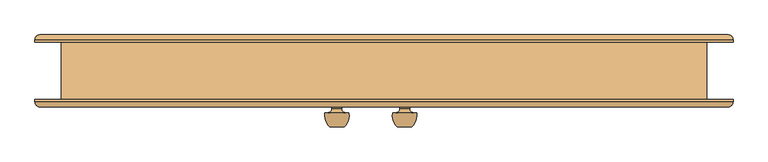
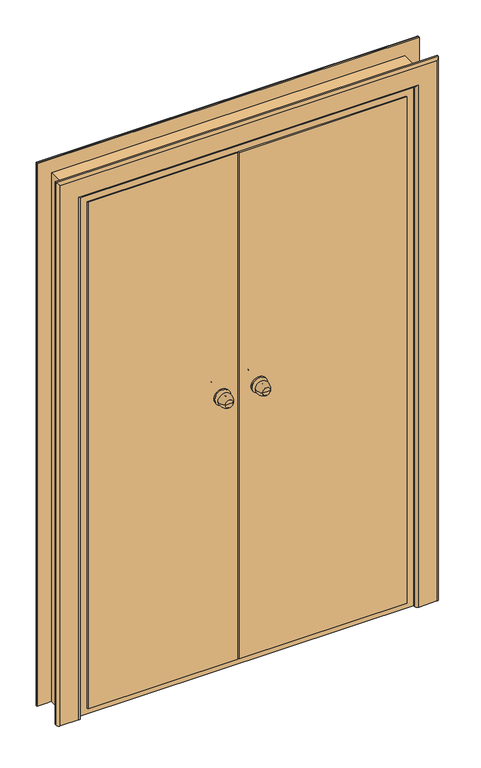
"""IFC4 building model written with IfcOpenShell, lengths in millimetres: door geometry."""

from ifc_helpers import new_model, si_unit, point, frame, origin, place, context, project, spatial, circle_curve, ellipse_curve, trimmed, faceted_brep, source, transform, mapped, element, save
from ifc_brep_helpers import plane_surface, cylinder_surface, revolved_surface, advanced_brep


def door_7bbf4f0c(model_context):
    return source(origin(), model_context, "Body", "SolidModel", [
        advanced_brep(
        [(58.0, -117.0, 1100.0), (28.0, -117.0, 1100.0), (43.0, -117.0, 1100.0), (68.0, -87.0, 1100.0), (18.0, -87.0, 1100.0), (61.0, -87.0, 1100.0), (25.0, -87.0, 1100.0), (53.0, -79.0, 1100.0), (33.0, -79.0, 1100.0), (53.0, -73.0, 1100.0), (33.0, -73.0, 1100.0), (13.0, -73.0, 1100.0), (73.0, -73.0, 1100.0), (13.0, -67.0, 1100.0), (73.0, -67.0, 1100.0)],
        [
            (0, 1, circle_curve(frame((43.0, -117.0, 1100.0), z_axis=(0.0, -1.0, 0.0), x_axis=(-1.0, 0.0, 0.0)), 15.0)),
            (1, 2),
            (2, 0),
            (1, 0, circle_curve(frame((43.0, -117.0, 1100.0), z_axis=(0.0, -1.0, 0.0), x_axis=(-1.0, 0.0, 0.0)), 15.0)),
            (0, 3, circle_curve(frame((33.3773735, -92.1257912, 1100.0), z_axis=(0.0, 0.0, 1.0), x_axis=(-1.0, 0.0, 0.0)), 35.0)),
            (3, 4, circle_curve(frame((43.0, -87.0, 1100.0), z_axis=(0.0, -1.0, 0.0), x_axis=(-1.0, 0.0, 0.0)), 25.0)),
            (4, 1, circle_curve(frame((52.6226265, -92.1257912, 1100.0), z_axis=(0.0, 0.0, 1.0), x_axis=(1.0, 0.0, 0.0)), 35.0)),
            (4, 3, circle_curve(frame((43.0, -87.0, 1100.0), z_axis=(0.0, -1.0, 0.0), x_axis=(-1.0, 0.0, 0.0)), 25.0)),
            (3, 5),
            (5, 6, circle_curve(frame((43.0, -87.0, 1100.0), z_axis=(0.0, -1.0, 0.0), x_axis=(-1.0, 0.0, 0.0)), 18.0)),
            (6, 4),
            (6, 5, circle_curve(frame((43.0, -87.0, 1100.0), z_axis=(0.0, -1.0, 0.0), x_axis=(-1.0, 0.0, 0.0)), 18.0)),
            (5, 7, circle_curve(frame((61.0, -79.0, 1100.0), z_axis=(0.0, 0.0, -1.0), x_axis=(-1.0, 0.0, 0.0)), 8.0)),
            (7, 8, circle_curve(frame((43.0, -79.0, 1100.0), z_axis=(0.0, -1.0, 0.0), x_axis=(-1.0, 0.0, 0.0)), 10.0)),
            (8, 6, circle_curve(frame((25.0, -79.0, 1100.0), z_axis=(0.0, 0.0, -1.0), x_axis=(1.0, 0.0, 0.0)), 8.0)),
            (8, 7, circle_curve(frame((43.0, -79.0, 1100.0), z_axis=(0.0, -1.0, 0.0), x_axis=(-1.0, 0.0, 0.0)), 10.0)),
            (7, 9),
            (9, 10, circle_curve(frame((43.0, -73.0, 1100.0), z_axis=(0.0, -1.0, 0.0), x_axis=(-1.0, 0.0, 0.0)), 10.0)),
            (10, 8),
            (10, 9, circle_curve(frame((43.0, -73.0, 1100.0), z_axis=(0.0, -1.0, 0.0), x_axis=(-1.0, 0.0, 0.0)), 10.0)),
            (11, 12, circle_curve(frame((43.0, -73.0, 1100.0), z_axis=(0.0, -1.0, 0.0), x_axis=(1.0, 0.0, 0.0)), 30.0)),
            (12, 11, circle_curve(frame((43.0, -73.0, 1100.0), z_axis=(0.0, -1.0, 0.0), x_axis=(1.0, 0.0, 0.0)), 30.0)),
            (13, 14, circle_curve(frame((43.0, -67.0, 1100.0), z_axis=(0.0, 1.0, 0.0), x_axis=(1.0, 0.0, 0.0)), 30.0)),
            (14, 13, circle_curve(frame((43.0, -67.0, 1100.0), z_axis=(0.0, 1.0, 0.0), x_axis=(1.0, 0.0, 0.0)), 30.0)),
            (11, 13),
            (14, 12),
        ],
        [
            plane_surface(frame((43.0, -117.0, 1100.0), z_axis=(0.0, -1.0, 0.0), x_axis=(-1.0, 0.0, 0.0))),
            revolved_surface(trimmed(ellipse_curve(frame((52.6226265, -92.1257912, 1100.0), z_axis=(0.0, 0.0, -1.0), x_axis=(1.0, 0.0, 0.0)), 35.0, 35.0), [point((28.0, -117.0, 1100.0))], [point((18.0, -87.0, 1100.0))], True, "CARTESIAN"), (43.0, -147.0, 1100.0), (0.0, 1.0, 0.0)),
            plane_surface(frame((43.0, -87.0, 1100.0), z_axis=(0.0, 1.0, 0.0), x_axis=(-1.0, 0.0, 0.0))),
            revolved_surface(trimmed(ellipse_curve(frame((25.0, -79.0, 1100.0), z_axis=(0.0, 0.0, 1.0), x_axis=(1.0, 0.0, 0.0)), 8.0, 8.0), [point((25.0, -87.0, 1100.0))], [point((33.0, -79.0, 1100.0))], True, "CARTESIAN"), (43.0, -147.0, 1100.0), (0.0, 1.0, 0.0)),
            cylinder_surface(frame((43.0, -147.0, 1100.0), z_axis=(0.0, 1.0, 0.0), x_axis=(-1.0, 0.0, 0.0)), 10.0),
            plane_surface(frame((73.0, -73.0, 1100.0), z_axis=(0.0, -1.0, 0.0), x_axis=(0.0, 0.0, 1.0))),
            plane_surface(frame((73.0, -67.0, 1100.0), z_axis=(0.0, 1.0, 0.0), x_axis=(0.0, 0.0, -1.0))),
            cylinder_surface(frame((43.0, -67.0, 1100.0), z_axis=(0.0, -1.0, 0.0), x_axis=(1.0, 0.0, 0.0)), 30.0),
        ],
        [
            (0, [[1, 2, 3]]),
            (0, [[-2, 4, -3]]),
            (1, [[-1, 5, 6, 7]]),
            (1, [[-4, -7, 8, -5]]),
            (2, [[-6, 9, 10, 11]]),
            (2, [[-8, -11, 12, -9]]),
            (3, [[-10, 13, 14, 15]]),
            (3, [[-12, -15, 16, -13]]),
            (4, [[-14, 17, 18, 19]]),
            (4, [[-16, -19, 20, -17]]),
            (5, [[21, 22], [-18, -20]]),
            (6, [[23, 24]]),
            (7, [[-21, 25, -24, 26]]),
            (7, [[-22, -26, -23, -25]]),
        ],
    ),
        advanced_brep(
        [(28.0, 53.0, 1100.0), (58.0, 53.0, 1100.0), (43.0, 53.0, 1100.0), (18.0, 23.0, 1100.0), (68.0, 23.0, 1100.0), (25.0, 23.0, 1100.0), (61.0, 23.0, 1100.0), (33.0, 15.0, 1100.0), (53.0, 15.0, 1100.0), (33.0, 9.0, 1100.0), (53.0, 9.0, 1100.0), (73.0, 9.0, 1100.0), (13.0, 9.0, 1100.0), (73.0, 3.0, 1100.0), (13.0, 3.0, 1100.0)],
        [
            (0, 1, circle_curve(frame((43.0, 53.0, 1100.0), z_axis=(0.0, 1.0, 0.0), x_axis=(1.0, 0.0, 0.0)), 15.0)),
            (1, 2),
            (2, 0),
            (1, 0, circle_curve(frame((43.0, 53.0, 1100.0), z_axis=(0.0, 1.0, 0.0), x_axis=(1.0, 0.0, 0.0)), 15.0)),
            (0, 3, circle_curve(frame((52.6226265, 28.1257912, 1100.0), z_axis=(0.0, 0.0, 1.0), x_axis=(1.0, 0.0, 0.0)), 35.0)),
            (3, 4, circle_curve(frame((43.0, 23.0, 1100.0), z_axis=(0.0, 1.0, 0.0), x_axis=(1.0, 0.0, 0.0)), 25.0)),
            (4, 1, circle_curve(frame((33.3773735, 28.1257912, 1100.0), z_axis=(0.0, 0.0, 1.0), x_axis=(-1.0, 0.0, 0.0)), 35.0)),
            (4, 3, circle_curve(frame((43.0, 23.0, 1100.0), z_axis=(0.0, 1.0, 0.0), x_axis=(1.0, 0.0, 0.0)), 25.0)),
            (3, 5),
            (5, 6, circle_curve(frame((43.0, 23.0, 1100.0), z_axis=(0.0, 1.0, 0.0), x_axis=(1.0, 0.0, 0.0)), 18.0)),
            (6, 4),
            (6, 5, circle_curve(frame((43.0, 23.0, 1100.0), z_axis=(0.0, 1.0, 0.0), x_axis=(1.0, 0.0, 0.0)), 18.0)),
            (5, 7, circle_curve(frame((25.0, 15.0, 1100.0), z_axis=(0.0, 0.0, -1.0), x_axis=(1.0, 0.0, 0.0)), 8.0)),
            (7, 8, circle_curve(frame((43.0, 15.0, 1100.0), z_axis=(0.0, 1.0, 0.0), x_axis=(1.0, 0.0, 0.0)), 10.0)),
            (8, 6, circle_curve(frame((61.0, 15.0, 1100.0), z_axis=(0.0, 0.0, -1.0), x_axis=(-1.0, 0.0, 0.0)), 8.0)),
            (8, 7, circle_curve(frame((43.0, 15.0, 1100.0), z_axis=(0.0, 1.0, 0.0), x_axis=(1.0, 0.0, 0.0)), 10.0)),
            (7, 9),
            (9, 10, circle_curve(frame((43.0, 9.0, 1100.0), z_axis=(0.0, 1.0, 0.0), x_axis=(1.0, 0.0, 0.0)), 10.0)),
            (10, 8),
            (10, 9, circle_curve(frame((43.0, 9.0, 1100.0), z_axis=(0.0, 1.0, 0.0), x_axis=(1.0, 0.0, 0.0)), 10.0)),
            (11, 12, circle_curve(frame((43.0, 9.0, 1100.0), z_axis=(0.0, 1.0, 0.0), x_axis=(-1.0, 0.0, 0.0)), 30.0)),
            (12, 11, circle_curve(frame((43.0, 9.0, 1100.0), z_axis=(0.0, 1.0, 0.0), x_axis=(-1.0, 0.0, 0.0)), 30.0)),
            (13, 14, circle_curve(frame((43.0, 3.0, 1100.0), z_axis=(0.0, -1.0, 0.0), x_axis=(-1.0, 0.0, 0.0)), 30.0)),
            (14, 13, circle_curve(frame((43.0, 3.0, 1100.0), z_axis=(0.0, -1.0, 0.0), x_axis=(-1.0, 0.0, 0.0)), 30.0)),
            (11, 13),
            (14, 12),
        ],
        [
            plane_surface(frame((43.0, 53.0, 1100.0), z_axis=(0.0, 1.0, 0.0), x_axis=(1.0, 0.0, 0.0))),
            revolved_surface(trimmed(ellipse_curve(frame((33.3773735, 28.1257912, 1100.0), z_axis=(0.0, 0.0, -1.0), x_axis=(-1.0, 0.0, 0.0)), 35.0, 35.0), [point((58.0, 53.0, 1100.0))], [point((68.0, 23.0, 1100.0))], True, "CARTESIAN"), (43.0, 83.0, 1100.0), (0.0, -1.0, 0.0)),
            plane_surface(frame((43.0, 23.0, 1100.0), z_axis=(0.0, -1.0, 0.0), x_axis=(1.0, 0.0, 0.0))),
            revolved_surface(trimmed(ellipse_curve(frame((61.0, 15.0, 1100.0), z_axis=(0.0, 0.0, 1.0), x_axis=(-1.0, 0.0, 0.0)), 8.0, 8.0), [point((61.0, 23.0, 1100.0))], [point((53.0, 15.0, 1100.0))], True, "CARTESIAN"), (43.0, 83.0, 1100.0), (0.0, -1.0, 0.0)),
            cylinder_surface(frame((43.0, 83.0, 1100.0), z_axis=(0.0, -1.0, 0.0), x_axis=(1.0, 0.0, 0.0)), 10.0),
            plane_surface(frame((13.0, 9.0, 1100.0), z_axis=(0.0, 1.0, 0.0), x_axis=(0.0, 0.0, 1.0))),
            plane_surface(frame((13.0, 3.0, 1100.0), z_axis=(0.0, -1.0, 0.0), x_axis=(0.0, 0.0, -1.0))),
            cylinder_surface(frame((43.0, 3.0, 1100.0), z_axis=(0.0, 1.0, 0.0), x_axis=(-1.0, 0.0, 0.0)), 30.0),
        ],
        [
            (0, [[1, 2, 3]]),
            (0, [[-2, 4, -3]]),
            (1, [[-1, 5, 6, 7]]),
            (1, [[-4, -7, 8, -5]]),
            (2, [[-6, 9, 10, 11]]),
            (2, [[-8, -11, 12, -9]]),
            (3, [[-10, 13, 14, 15]]),
            (3, [[-12, -15, 16, -13]]),
            (4, [[-14, 17, 18, 19]]),
            (4, [[-16, -19, 20, -17]]),
            (5, [[21, 22], [-18, -20]]),
            (6, [[23, 24]]),
            (7, [[-21, 25, -24, 26]]),
            (7, [[-22, -26, -23, -25]]),
        ],
    ),
        advanced_brep(
        [(-83.0, -117.0, 1100.0), (-113.0, -117.0, 1100.0), (-98.0, -117.0, 1100.0), (-73.0, -87.0, 1100.0), (-123.0, -87.0, 1100.0), (-80.0, -87.0, 1100.0), (-116.0, -87.0, 1100.0), (-88.0, -79.0, 1100.0), (-108.0, -79.0, 1100.0), (-88.0, -73.0, 1100.0), (-108.0, -73.0, 1100.0), (-128.0, -73.0, 1100.0), (-68.0, -73.0, 1100.0), (-128.0, -67.0, 1100.0), (-68.0, -67.0, 1100.0)],
        [
            (0, 1, circle_curve(frame((-98.0, -117.0, 1100.0), z_axis=(0.0, -1.0, 0.0), x_axis=(-1.0, 0.0, 0.0)), 15.0)),
            (1, 2),
            (2, 0),
            (1, 0, circle_curve(frame((-98.0, -117.0, 1100.0), z_axis=(0.0, -1.0, 0.0), x_axis=(-1.0, 0.0, 0.0)), 15.0)),
            (0, 3, circle_curve(frame((-107.6226265, -92.1257912, 1100.0), z_axis=(0.0, 0.0, 1.0), x_axis=(-1.0, 0.0, 0.0)), 35.0)),
            (3, 4, circle_curve(frame((-98.0, -87.0, 1100.0), z_axis=(0.0, -1.0, 0.0), x_axis=(-1.0, 0.0, 0.0)), 25.0)),
            (4, 1, circle_curve(frame((-88.3773735, -92.1257912, 1100.0), z_axis=(0.0, 0.0, 1.0), x_axis=(1.0, 0.0, 0.0)), 35.0)),
            (4, 3, circle_curve(frame((-98.0, -87.0, 1100.0), z_axis=(0.0, -1.0, 0.0), x_axis=(-1.0, 0.0, 0.0)), 25.0)),
            (3, 5),
            (5, 6, circle_curve(frame((-98.0, -87.0, 1100.0), z_axis=(0.0, -1.0, 0.0), x_axis=(-1.0, 0.0, 0.0)), 18.0)),
            (6, 4),
            (6, 5, circle_curve(frame((-98.0, -87.0, 1100.0), z_axis=(0.0, -1.0, 0.0), x_axis=(-1.0, 0.0, 0.0)), 18.0)),
            (5, 7, circle_curve(frame((-80.0, -79.0, 1100.0), z_axis=(0.0, 0.0, -1.0), x_axis=(-1.0, 0.0, 0.0)), 8.0)),
            (7, 8, circle_curve(frame((-98.0, -79.0, 1100.0), z_axis=(0.0, -1.0, 0.0), x_axis=(-1.0, 0.0, 0.0)), 10.0)),
            (8, 6, circle_curve(frame((-116.0, -79.0, 1100.0), z_axis=(0.0, 0.0, -1.0), x_axis=(1.0, 0.0, 0.0)), 8.0)),
            (8, 7, circle_curve(frame((-98.0, -79.0, 1100.0), z_axis=(0.0, -1.0, 0.0), x_axis=(-1.0, 0.0, 0.0)), 10.0)),
            (7, 9),
            (9, 10, circle_curve(frame((-98.0, -73.0, 1100.0), z_axis=(0.0, -1.0, 0.0), x_axis=(-1.0, 0.0, 0.0)), 10.0)),
            (10, 8),
            (10, 9, circle_curve(frame((-98.0, -73.0, 1100.0), z_axis=(0.0, -1.0, 0.0), x_axis=(-1.0, 0.0, 0.0)), 10.0)),
            (11, 12, circle_curve(frame((-98.0, -73.0, 1100.0), z_axis=(0.0, -1.0, 0.0), x_axis=(1.0, 0.0, 0.0)), 30.0)),
            (12, 11, circle_curve(frame((-98.0, -73.0, 1100.0), z_axis=(0.0, -1.0, 0.0), x_axis=(1.0, 0.0, 0.0)), 30.0)),
            (13, 14, circle_curve(frame((-98.0, -67.0, 1100.0), z_axis=(0.0, 1.0, 0.0), x_axis=(1.0, 0.0, 0.0)), 30.0)),
            (14, 13, circle_curve(frame((-98.0, -67.0, 1100.0), z_axis=(0.0, 1.0, 0.0), x_axis=(1.0, 0.0, 0.0)), 30.0)),
            (11, 13),
            (14, 12),
        ],
        [
            plane_surface(frame((-98.0, -117.0, 1100.0), z_axis=(0.0, -1.0, 0.0), x_axis=(-1.0, 0.0, 0.0))),
            revolved_surface(trimmed(ellipse_curve(frame((-88.3773735, -92.1257912, 1100.0), z_axis=(0.0, 0.0, -1.0), x_axis=(1.0, 0.0, 0.0)), 35.0, 35.0), [point((-113.0, -117.0, 1100.0))], [point((-123.0, -87.0, 1100.0))], True, "CARTESIAN"), (-98.0, -147.0, 1100.0), (0.0, 1.0, 0.0)),
            plane_surface(frame((-98.0, -87.0, 1100.0), z_axis=(0.0, 1.0, 0.0), x_axis=(-1.0, 0.0, 0.0))),
            revolved_surface(trimmed(ellipse_curve(frame((-116.0, -79.0, 1100.0), z_axis=(0.0, 0.0, 1.0), x_axis=(1.0, 0.0, 0.0)), 8.0, 8.0), [point((-116.0, -87.0, 1100.0))], [point((-108.0, -79.0, 1100.0))], True, "CARTESIAN"), (-98.0, -147.0, 1100.0), (0.0, 1.0, 0.0)),
            cylinder_surface(frame((-98.0, -147.0, 1100.0), z_axis=(0.0, 1.0, 0.0), x_axis=(-1.0, 0.0, 0.0)), 10.0),
            plane_surface(frame((-68.0, -73.0, 1100.0), z_axis=(0.0, -1.0, 0.0), x_axis=(0.0, 0.0, 1.0))),
            plane_surface(frame((-68.0, -67.0, 1100.0), z_axis=(0.0, 1.0, 0.0), x_axis=(0.0, 0.0, -1.0))),
            cylinder_surface(frame((-98.0, -67.0, 1100.0), z_axis=(0.0, -1.0, 0.0), x_axis=(1.0, 0.0, 0.0)), 30.0),
        ],
        [
            (0, [[1, 2, 3]]),
            (0, [[-2, 4, -3]]),
            (1, [[-1, 5, 6, 7]]),
            (1, [[-4, -7, 8, -5]]),
            (2, [[-6, 9, 10, 11]]),
            (2, [[-8, -11, 12, -9]]),
            (3, [[-10, 13, 14, 15]]),
            (3, [[-12, -15, 16, -13]]),
            (4, [[-14, 17, 18, 19]]),
            (4, [[-16, -19, 20, -17]]),
            (5, [[21, 22], [-18, -20]]),
            (6, [[23, 24]]),
            (7, [[-21, 25, -24, 26]]),
            (7, [[-22, -26, -23, -25]]),
        ],
    ),
        advanced_brep(
        [(-113.0, 53.0, 1100.0), (-83.0, 53.0, 1100.0), (-98.0, 53.0, 1100.0), (-123.0, 23.0, 1100.0), (-73.0, 23.0, 1100.0), (-116.0, 23.0, 1100.0), (-80.0, 23.0, 1100.0), (-108.0, 15.0, 1100.0), (-88.0, 15.0, 1100.0), (-108.0, 9.0, 1100.0), (-88.0, 9.0, 1100.0), (-68.0, 9.0, 1100.0), (-128.0, 9.0, 1100.0), (-68.0, 3.0, 1100.0), (-128.0, 3.0, 1100.0)],
        [
            (0, 1, circle_curve(frame((-98.0, 53.0, 1100.0), z_axis=(0.0, 1.0, 0.0), x_axis=(1.0, 0.0, 0.0)), 15.0)),
            (1, 2),
            (2, 0),
            (1, 0, circle_curve(frame((-98.0, 53.0, 1100.0), z_axis=(0.0, 1.0, 0.0), x_axis=(1.0, 0.0, 0.0)), 15.0)),
            (0, 3, circle_curve(frame((-88.3773735, 28.1257912, 1100.0), z_axis=(0.0, 0.0, 1.0), x_axis=(1.0, 0.0, 0.0)), 35.0)),
            (3, 4, circle_curve(frame((-98.0, 23.0, 1100.0), z_axis=(0.0, 1.0, 0.0), x_axis=(1.0, 0.0, 0.0)), 25.0)),
            (4, 1, circle_curve(frame((-107.6226265, 28.1257912, 1100.0), z_axis=(0.0, 0.0, 1.0), x_axis=(-1.0, 0.0, 0.0)), 35.0)),
            (4, 3, circle_curve(frame((-98.0, 23.0, 1100.0), z_axis=(0.0, 1.0, 0.0), x_axis=(1.0, 0.0, 0.0)), 25.0)),
            (3, 5),
            (5, 6, circle_curve(frame((-98.0, 23.0, 1100.0), z_axis=(0.0, 1.0, 0.0), x_axis=(1.0, 0.0, 0.0)), 18.0)),
            (6, 4),
            (6, 5, circle_curve(frame((-98.0, 23.0, 1100.0), z_axis=(0.0, 1.0, 0.0), x_axis=(1.0, 0.0, 0.0)), 18.0)),
            (5, 7, circle_curve(frame((-116.0, 15.0, 1100.0), z_axis=(0.0, 0.0, -1.0), x_axis=(1.0, 0.0, 0.0)), 8.0)),
            (7, 8, circle_curve(frame((-98.0, 15.0, 1100.0), z_axis=(0.0, 1.0, 0.0), x_axis=(1.0, 0.0, 0.0)), 10.0)),
            (8, 6, circle_curve(frame((-80.0, 15.0, 1100.0), z_axis=(0.0, 0.0, -1.0), x_axis=(-1.0, 0.0, 0.0)), 8.0)),
            (8, 7, circle_curve(frame((-98.0, 15.0, 1100.0), z_axis=(0.0, 1.0, 0.0), x_axis=(1.0, 0.0, 0.0)), 10.0)),
            (7, 9),
            (9, 10, circle_curve(frame((-98.0, 9.0, 1100.0), z_axis=(0.0, 1.0, 0.0), x_axis=(1.0, 0.0, 0.0)), 10.0)),
            (10, 8),
            (10, 9, circle_curve(frame((-98.0, 9.0, 1100.0), z_axis=(0.0, 1.0, 0.0), x_axis=(1.0, 0.0, 0.0)), 10.0)),
            (11, 12, circle_curve(frame((-98.0, 9.0, 1100.0), z_axis=(0.0, 1.0, 0.0), x_axis=(-1.0, 0.0, 0.0)), 30.0)),
            (12, 11, circle_curve(frame((-98.0, 9.0, 1100.0), z_axis=(0.0, 1.0, 0.0), x_axis=(-1.0, 0.0, 0.0)), 30.0)),
            (13, 14, circle_curve(frame((-98.0, 3.0, 1100.0), z_axis=(0.0, -1.0, 0.0), x_axis=(-1.0, 0.0, 0.0)), 30.0)),
            (14, 13, circle_curve(frame((-98.0, 3.0, 1100.0), z_axis=(0.0, -1.0, 0.0), x_axis=(-1.0, 0.0, 0.0)), 30.0)),
            (11, 13),
            (14, 12),
        ],
        [
            plane_surface(frame((-98.0, 53.0, 1100.0), z_axis=(0.0, 1.0, 0.0), x_axis=(1.0, 0.0, 0.0))),
            revolved_surface(trimmed(ellipse_curve(frame((-107.6226265, 28.1257912, 1100.0), z_axis=(0.0, 0.0, -1.0), x_axis=(-1.0, 0.0, 0.0)), 35.0, 35.0), [point((-83.0, 53.0, 1100.0))], [point((-73.0, 23.0, 1100.0))], True, "CARTESIAN"), (-98.0, 83.0, 1100.0), (0.0, -1.0, 0.0)),
            plane_surface(frame((-98.0, 23.0, 1100.0), z_axis=(0.0, -1.0, 0.0), x_axis=(1.0, 0.0, 0.0))),
            revolved_surface(trimmed(ellipse_curve(frame((-80.0, 15.0, 1100.0), z_axis=(0.0, 0.0, 1.0), x_axis=(-1.0, 0.0, 0.0)), 8.0, 8.0), [point((-80.0, 23.0, 1100.0))], [point((-88.0, 15.0, 1100.0))], True, "CARTESIAN"), (-98.0, 83.0, 1100.0), (0.0, -1.0, 0.0)),
            cylinder_surface(frame((-98.0, 83.0, 1100.0), z_axis=(0.0, -1.0, 0.0), x_axis=(1.0, 0.0, 0.0)), 10.0),
            plane_surface(frame((-128.0, 9.0, 1100.0), z_axis=(0.0, 1.0, 0.0), x_axis=(0.0, 0.0, 1.0))),
            plane_surface(frame((-128.0, 3.0, 1100.0), z_axis=(0.0, -1.0, 0.0), x_axis=(0.0, 0.0, -1.0))),
            cylinder_surface(frame((-98.0, 3.0, 1100.0), z_axis=(0.0, 1.0, 0.0), x_axis=(-1.0, 0.0, 0.0)), 30.0),
        ],
        [
            (0, [[1, 2, 3]]),
            (0, [[-2, 4, -3]]),
            (1, [[-1, 5, 6, 7]]),
            (1, [[-4, -7, 8, -5]]),
            (2, [[-6, 9, 10, 11]]),
            (2, [[-8, -11, 12, -9]]),
            (3, [[-10, 13, 14, 15]]),
            (3, [[-12, -15, 16, -13]]),
            (4, [[-14, 17, 18, 19]]),
            (4, [[-16, -19, 20, -17]]),
            (5, [[21, 22], [-18, -20]]),
            (6, [[23, 24]]),
            (7, [[-21, 25, -24, 26]]),
            (7, [[-22, -26, -23, -25]]),
        ],
    ),
        faceted_brep([(650.0, 10.0, 0.0), (650.0, -60.0, 0.0), (-650.0, -60.0, 0.0), (-650.0, 10.0, 0.0), (650.0, -60.0, 2100.0), (650.0, 10.0, 2100.0), (-650.0, -60.0, 2100.0), (590.0, -60.0, 2040.0), (590.0, -60.0, 40.0), (-590.0, -60.0, 40.0), (-590.0, -60.0, 2040.0), (-650.0, 10.0, 2100.0), (-570.0, 10.0, 2020.0), (-570.0, 10.0, 60.0), (570.0, 10.0, 60.0), (570.0, 10.0, 2020.0), (-570.0, 5.0, 2020.0), (-570.0, 5.0, 60.0), (570.0, 5.0, 60.0), (570.0, 5.0, 2020.0), (590.0, 5.0, 2040.0), (590.0, 5.0, 40.0), (-590.0, 5.0, 40.0), (-590.0, 5.0, 2040.0)], [[[0, 1, 2, 3]], [[4, 1, 0, 5]], [[2, 1, 4, 6], [7, 8, 9, 10]], [[2, 6, 11, 3]], [[0, 3, 11, 5], [12, 13, 14, 15]], [[12, 16, 17, 13]], [[14, 13, 17, 18]], [[19, 15, 14, 18]], [[7, 20, 21, 8]], [[9, 8, 21, 22]], [[22, 23, 10, 9]], [[20, 23, 22, 21], [19, 18, 17, 16]], [[5, 11, 6, 4]], [[7, 10, 23, 20]], [[12, 15, 19, 16]]]),
        faceted_brep([(-38.0, -67.0, 25.0), (-605.0, -67.0, 25.0), (-605.0, -62.0, 25.0), (-38.0, -62.0, 25.0), (-38.0, -67.0, 2055.0), (-605.0, -67.0, 2055.0), (-605.0, -62.0, 2055.0), (-38.0, -62.0, 2055.0), (-38.0, -62.0, 2035.0), (-585.0, -62.0, 2035.0), (-585.0, -62.0, 45.0), (-38.0, -62.0, 45.0), (-38.0, -41.0, 45.0), (-38.0, -41.0, 2035.0), (-585.0, 3.0, 2035.0), (-585.0, 3.0, 45.0), (-3.0, 3.0, 45.0), (-3.0, -41.0, 45.0), (-3.0, -41.0, 2035.0), (-3.0, 3.0, 2035.0)], [[[0, 1, 2, 3]], [[4, 5, 1, 0]], [[5, 6, 2, 1]], [[2, 6, 7, 8, 9, 10, 11, 3]], [[4, 0, 3, 11, 12, 13, 8, 7]], [[9, 14, 15, 10]], [[11, 10, 15, 16, 17, 12]], [[18, 13, 12, 17]], [[19, 18, 17, 16]], [[14, 19, 16, 15]], [[6, 5, 4, 7]], [[9, 8, 13, 18, 19, 14]]]),
        faceted_brep([(-33.0, -62.0, 25.0), (605.0, -62.0, 25.0), (605.0, -67.0, 25.0), (-33.0, -67.0, 25.0), (-33.0, -62.0, 45.0), (585.0, -62.0, 45.0), (585.0, -62.0, 2035.0), (-33.0, -62.0, 2035.0), (-33.0, -62.0, 2055.0), (605.0, -62.0, 2055.0), (605.0, -67.0, 2055.0), (-33.0, -67.0, 2055.0), (-33.0, -47.0, 2035.0), (-33.0, -47.0, 45.0), (2.0, -47.0, 45.0), (2.0, 3.0, 45.0), (585.0, 3.0, 45.0), (585.0, 3.0, 2035.0), (2.0, -47.0, 2035.0), (2.0, 3.0, 2035.0)], [[[0, 1, 2, 3]], [[0, 4, 5, 6, 7, 8, 9, 1]], [[9, 10, 2, 1]], [[10, 11, 3, 2]], [[3, 11, 8, 7, 12, 13, 4, 0]], [[5, 4, 13, 14, 15, 16]], [[17, 6, 5, 16]], [[12, 18, 14, 13]], [[18, 19, 15, 14]], [[19, 17, 16, 15]], [[11, 10, 9, 8]], [[7, 6, 17, 19, 18, 12]]]),
        faceted_brep([(635.0, 60.0, 0.0), (650.0, 60.0, 0.0), (650.0, 10.0, 0.0), (635.0, 10.0, 0.0), (635.0, 60.0, 2085.0), (-635.0, 60.0, 2085.0), (-635.0, 60.0, 0.0), (-650.0, 60.0, 0.0), (-650.0, 60.0, 2100.0), (650.0, 60.0, 2100.0), (650.0, -60.0, 2100.0), (650.0, -60.0, 2080.0), (650.0, 10.0, 2080.0), (635.0, 10.0, 2080.0), (635.0, 10.0, 2065.0), (-635.0, 10.0, 2080.0), (-650.0, 10.0, 2080.0), (-650.0, 10.0, 0.0), (-635.0, 10.0, 0.0), (-635.0, 10.0, 2065.0), (635.0, -60.0, 2085.0), (635.0, -60.0, 2080.0), (-635.0, -60.0, 2085.0), (-635.0, -60.0, 2080.0), (-650.0, -60.0, 2080.0), (-650.0, -60.0, 2100.0)], [[[0, 1, 2, 3]], [[1, 0, 4, 5, 6, 7, 8, 9]], [[1, 9, 10, 11, 12, 2]], [[12, 13, 14, 3, 2]], [[15, 16, 17, 18, 19]], [[20, 4, 0, 3, 14, 13, 21]], [[6, 5, 22, 23, 15, 19, 18]], [[7, 6, 18, 17]], [[8, 7, 17, 16, 24, 25]], [[10, 25, 24, 23, 22, 20, 21, 11]], [[10, 9, 8, 25]], [[20, 22, 5, 4]], [[13, 12, 11, 21]], [[16, 15, 23, 24]]]),
        faceted_brep([(670.0, -60.0, 0.0), (650.0, -60.0, 0.0), (650.0, 10.0, 0.0), (650.0, 60.0, 0.0), (670.0, 60.0, 0.0), (670.0, -60.0, 2120.0), (-670.0, -60.0, 2120.0), (-670.0, -60.0, 0.0), (-650.0, -60.0, 0.0), (-650.0, -60.0, 2080.0), (-650.0, -60.0, 2100.0), (650.0, -60.0, 2100.0), (650.0, -60.0, 2080.0), (650.0, 60.0, 2100.0), (-650.0, 60.0, 2100.0), (-650.0, 60.0, 0.0), (-670.0, 60.0, 0.0), (-670.0, 60.0, 2120.0), (670.0, 60.0, 2120.0), (-650.0, 10.0, 0.0)], [[[0, 1, 2, 3, 4]], [[1, 0, 5, 6, 7, 8, 9, 10, 11, 12]], [[11, 13, 3, 2, 1, 12]], [[4, 3, 13, 14, 15, 16, 17, 18]], [[0, 4, 18, 5]], [[14, 10, 9, 8, 19, 15]], [[7, 16, 15, 19, 8]], [[6, 17, 16, 7]], [[13, 11, 10, 14]], [[5, 18, 17, 6]]]),
        advanced_brep(
        [(-725.0, -60.0, 0.0), (-635.0, -60.0, 0.0), (-635.0, -65.0, 0.0), (-645.0, -75.0, 0.0), (-715.0, -75.0, 0.0), (-725.0, -65.0, 0.0), (-725.0, -60.0, 2175.0), (725.0, -60.0, 2175.0), (725.0, -60.0, 0.0), (635.0, -60.0, 0.0), (635.0, -60.0, 2085.0), (-635.0, -60.0, 2085.0), (-635.0, -65.0, 2085.0), (-645.0, -75.0, 2095.0), (645.0, -75.0, 2095.0), (645.0, -75.0, 0.0), (715.0, -75.0, 0.0), (715.0, -75.0, 2165.0), (-715.0, -75.0, 2165.0), (-725.0, -65.0, 2175.0), (725.0, -65.0, 2175.0), (725.0, -65.0, 0.0), (635.0, -65.0, 0.0), (635.0, -65.0, 2085.0)],
        [
            (0, 1),
            (1, 2),
            (2, 3, circle_curve(frame((-645.0, -65.0, 0.0), z_axis=(0.0, 0.0, -1.0), x_axis=(-1.0, 0.0, 0.0)), 10.0)),
            (3, 4),
            (4, 5, circle_curve(frame((-715.0, -65.0, 0.0), z_axis=(0.0, 0.0, -1.0), x_axis=(-1.0, 0.0, 0.0)), 10.0)),
            (5, 0),
            (0, 6),
            (6, 7),
            (7, 8),
            (8, 9),
            (9, 10),
            (10, 11),
            (11, 1),
            (11, 12),
            (12, 2),
            (12, 13, ellipse_curve(frame((-645.0, -65.0, 2095.0), z_axis=(-0.7071067811865475, 0.0, -0.7071067811865475), x_axis=(0.7071067811865474, 0.0, -0.7071067811865476)), 14.1421356, 10.0)),
            (13, 3),
            (13, 14),
            (14, 15),
            (15, 16),
            (16, 17),
            (17, 18),
            (18, 4),
            (18, 19, ellipse_curve(frame((-715.0, -65.0, 2165.0), z_axis=(-0.7071067811865475, 0.0, -0.7071067811865475), x_axis=(0.7071067811865474, 0.0, -0.7071067811865476)), 14.1421356, 10.0)),
            (19, 5),
            (19, 6),
            (7, 20),
            (20, 21),
            (21, 8),
            (21, 16, circle_curve(frame((715.0, -65.0, 0.0), z_axis=(0.0, 0.0, -1.0), x_axis=(1.0, 0.0, 0.0)), 10.0)),
            (15, 22, circle_curve(frame((645.0, -65.0, 0.0), z_axis=(0.0, 0.0, -1.0), x_axis=(1.0, 0.0, 0.0)), 10.0)),
            (22, 9),
            (23, 10),
            (22, 23),
            (14, 23, ellipse_curve(frame((645.0, -65.0, 2095.0), z_axis=(0.7071067811865475, 0.0, -0.7071067811865475), x_axis=(0.7071067811865474, 0.0, 0.7071067811865476)), 14.1421356, 10.0)),
            (20, 17, ellipse_curve(frame((715.0, -65.0, 2165.0), z_axis=(0.7071067811865475, 0.0, -0.7071067811865475), x_axis=(0.7071067811865474, 0.0, 0.7071067811865476)), 14.1421356, 10.0)),
            (23, 12),
            (20, 19),
        ],
        [
            plane_surface(frame((-670.0, -60.0, 0.0), z_axis=(0.0, 0.0, -1.0), x_axis=(0.0, -1.0, 0.0))),
            plane_surface(frame((-725.0, -60.0, 0.0), z_axis=(0.0, 1.0, 0.0), x_axis=(0.0, 0.0, 1.0))),
            plane_surface(frame((-635.0, -60.0, 0.0), z_axis=(1.0, 0.0, 0.0), x_axis=(0.0, 0.0, 1.0))),
            cylinder_surface(frame((-645.0, -65.0, 0.0), z_axis=(0.0, 0.0, -1.0), x_axis=(-1.0, 0.0, 0.0)), 10.0),
            plane_surface(frame((-645.0, -75.0, 0.0), z_axis=(0.0, -1.0, 0.0), x_axis=(0.0, 0.0, 1.0))),
            cylinder_surface(frame((-715.0, -65.0, 0.0), z_axis=(0.0, 0.0, -1.0), x_axis=(-1.0, 0.0, 0.0)), 10.0),
            plane_surface(frame((-725.0, -65.0, 0.0), z_axis=(-1.0, 0.0, 0.0), x_axis=(0.0, 0.0, 1.0))),
            plane_surface(frame((725.0, -65.0, 2175.0), z_axis=(1.0, 0.0, 0.0), x_axis=(0.0, 0.0, -1.0))),
            plane_surface(frame((670.0, -60.0, 0.0), z_axis=(0.0, 0.0, -1.0), x_axis=(0.0, -1.0, 0.0))),
            plane_surface(frame((635.0, -60.0, 2085.0), z_axis=(-1.0, 0.0, 0.0), x_axis=(0.0, 0.0, -1.0))),
            cylinder_surface(frame((645.0, -65.0, 2120.0), z_axis=(0.0, 0.0, 1.0), x_axis=(1.0, 0.0, 0.0)), 10.0),
            cylinder_surface(frame((715.0, -65.0, 2120.0), z_axis=(0.0, 0.0, 1.0), x_axis=(1.0, 0.0, 0.0)), 10.0),
            plane_surface(frame((-635.0, -60.0, 2085.0), z_axis=(0.0, 0.0, -1.0), x_axis=(1.0, 0.0, 0.0))),
            cylinder_surface(frame((-670.0, -65.0, 2095.0), z_axis=(-1.0, 0.0, 0.0), x_axis=(0.0, 0.0, 1.0)), 10.0),
            cylinder_surface(frame((-670.0, -65.0, 2165.0), z_axis=(-1.0, 0.0, 0.0), x_axis=(0.0, 0.0, 1.0)), 10.0),
            plane_surface(frame((-725.0, -65.0, 2175.0), z_axis=(0.0, 0.0, 1.0), x_axis=(1.0, 0.0, 0.0))),
        ],
        [
            (0, [[1, 2, 3, 4, 5, 6]]),
            (1, [[-1, 7, 8, 9, 10, 11, 12, 13]]),
            (2, [[-2, -13, 14, 15]]),
            (3, [[-3, -15, 16, 17]]),
            (4, [[-4, -17, 18, 19, 20, 21, 22, 23]]),
            (5, [[-5, -23, 24, 25]]),
            (6, [[-6, -25, 26, -7]]),
            (7, [[27, 28, 29, -9]]),
            (8, [[-29, 30, -20, 31, 32, -10]]),
            (9, [[33, -11, -32, 34]]),
            (10, [[35, -34, -31, -19]]),
            (11, [[36, -21, -30, -28]]),
            (12, [[-14, -12, -33, 37]]),
            (13, [[-16, -37, -35, -18]]),
            (14, [[-24, -22, -36, 38]]),
            (15, [[-26, -38, -27, -8]]),
        ],
    ),
        advanced_brep(
        [(725.0, 60.0, 0.0), (635.0, 60.0, 0.0), (635.0, 65.0, 0.0), (645.0, 75.0, 0.0), (715.0, 75.0, 0.0), (725.0, 65.0, 0.0), (725.0, 60.0, 2175.0), (-725.0, 60.0, 2175.0), (-725.0, 60.0, 0.0), (-635.0, 60.0, 0.0), (-635.0, 60.0, 2085.0), (635.0, 60.0, 2085.0), (635.0, 65.0, 2085.0), (645.0, 75.0, 2095.0), (-645.0, 75.0, 2095.0), (-645.0, 75.0, 0.0), (-715.0, 75.0, 0.0), (-715.0, 75.0, 2165.0), (715.0, 75.0, 2165.0), (725.0, 65.0, 2175.0), (-725.0, 65.0, 2175.0), (-725.0, 65.0, 0.0), (-635.0, 65.0, 0.0), (-635.0, 65.0, 2085.0)],
        [
            (0, 1),
            (1, 2),
            (2, 3, circle_curve(frame((645.0, 65.0, 0.0), z_axis=(0.0, 0.0, -1.0), x_axis=(1.0, 0.0, 0.0)), 10.0)),
            (3, 4),
            (4, 5, circle_curve(frame((715.0, 65.0, 0.0), z_axis=(0.0, 0.0, -1.0), x_axis=(1.0, 0.0, 0.0)), 10.0)),
            (5, 0),
            (0, 6),
            (6, 7),
            (7, 8),
            (8, 9),
            (9, 10),
            (10, 11),
            (11, 1),
            (11, 12),
            (12, 2),
            (12, 13, ellipse_curve(frame((645.0, 65.0, 2095.0), z_axis=(0.7071067811865475, 0.0, -0.7071067811865475), x_axis=(-0.7071067811865474, 0.0, -0.7071067811865476)), 14.1421356, 10.0)),
            (13, 3),
            (13, 14),
            (14, 15),
            (15, 16),
            (16, 17),
            (17, 18),
            (18, 4),
            (18, 19, ellipse_curve(frame((715.0, 65.0, 2165.0), z_axis=(0.7071067811865475, 0.0, -0.7071067811865475), x_axis=(-0.7071067811865474, 0.0, -0.7071067811865476)), 14.1421356, 10.0)),
            (19, 5),
            (19, 6),
            (7, 20),
            (20, 21),
            (21, 8),
            (21, 16, circle_curve(frame((-715.0, 65.0, 0.0), z_axis=(0.0, 0.0, -1.0), x_axis=(-1.0, 0.0, 0.0)), 10.0)),
            (15, 22, circle_curve(frame((-645.0, 65.0, 0.0), z_axis=(0.0, 0.0, -1.0), x_axis=(-1.0, 0.0, 0.0)), 10.0)),
            (22, 9),
            (23, 10),
            (22, 23),
            (14, 23, ellipse_curve(frame((-645.0, 65.0, 2095.0), z_axis=(-0.7071067811865475, 0.0, -0.7071067811865475), x_axis=(-0.7071067811865474, 0.0, 0.7071067811865476)), 14.1421356, 10.0)),
            (20, 17, ellipse_curve(frame((-715.0, 65.0, 2165.0), z_axis=(-0.7071067811865475, 0.0, -0.7071067811865475), x_axis=(-0.7071067811865474, 0.0, 0.7071067811865476)), 14.1421356, 10.0)),
            (23, 12),
            (20, 19),
        ],
        [
            plane_surface(frame((670.0, 60.0, 0.0), z_axis=(0.0, 0.0, -1.0), x_axis=(0.0, -1.0, 0.0))),
            plane_surface(frame((725.0, 60.0, 0.0), z_axis=(0.0, -1.0, 0.0), x_axis=(0.0, 0.0, 1.0))),
            plane_surface(frame((635.0, 60.0, 0.0), z_axis=(-1.0, 0.0, 0.0), x_axis=(0.0, 0.0, 1.0))),
            cylinder_surface(frame((645.0, 65.0, 0.0), z_axis=(0.0, 0.0, -1.0), x_axis=(1.0, 0.0, 0.0)), 10.0),
            plane_surface(frame((645.0, 75.0, 0.0), z_axis=(0.0, 1.0, 0.0), x_axis=(0.0, 0.0, 1.0))),
            cylinder_surface(frame((715.0, 65.0, 0.0), z_axis=(0.0, 0.0, -1.0), x_axis=(1.0, 0.0, 0.0)), 10.0),
            plane_surface(frame((725.0, 65.0, 0.0), z_axis=(1.0, 0.0, 0.0), x_axis=(0.0, 0.0, 1.0))),
            plane_surface(frame((-725.0, 65.0, 2175.0), z_axis=(-1.0, 0.0, 0.0), x_axis=(0.0, 0.0, -1.0))),
            plane_surface(frame((-670.0, 60.0, 0.0), z_axis=(0.0, 0.0, -1.0), x_axis=(0.0, -1.0, 0.0))),
            plane_surface(frame((-635.0, 60.0, 2085.0), z_axis=(1.0, 0.0, 0.0), x_axis=(0.0, 0.0, -1.0))),
            cylinder_surface(frame((-645.0, 65.0, 2120.0), z_axis=(0.0, 0.0, 1.0), x_axis=(-1.0, 0.0, 0.0)), 10.0),
            cylinder_surface(frame((-715.0, 65.0, 2120.0), z_axis=(0.0, 0.0, 1.0), x_axis=(-1.0, 0.0, 0.0)), 10.0),
            plane_surface(frame((635.0, 60.0, 2085.0), z_axis=(0.0, 0.0, -1.0), x_axis=(-1.0, 0.0, 0.0))),
            cylinder_surface(frame((670.0, 65.0, 2095.0), z_axis=(1.0, 0.0, 0.0), x_axis=(0.0, 0.0, 1.0)), 10.0),
            cylinder_surface(frame((670.0, 65.0, 2165.0), z_axis=(1.0, 0.0, 0.0), x_axis=(0.0, 0.0, 1.0)), 10.0),
            plane_surface(frame((725.0, 65.0, 2175.0), z_axis=(0.0, 0.0, 1.0), x_axis=(-1.0, 0.0, 0.0))),
        ],
        [
            (0, [[1, 2, 3, 4, 5, 6]]),
            (1, [[-1, 7, 8, 9, 10, 11, 12, 13]]),
            (2, [[-2, -13, 14, 15]]),
            (3, [[-3, -15, 16, 17]]),
            (4, [[-4, -17, 18, 19, 20, 21, 22, 23]]),
            (5, [[-5, -23, 24, 25]]),
            (6, [[-6, -25, 26, -7]]),
            (7, [[27, 28, 29, -9]]),
            (8, [[-29, 30, -20, 31, 32, -10]]),
            (9, [[33, -11, -32, 34]]),
            (10, [[35, -34, -31, -19]]),
            (11, [[36, -21, -30, -28]]),
            (12, [[-14, -12, -33, 37]]),
            (13, [[-16, -37, -35, -18]]),
            (14, [[-24, -22, -36, 38]]),
            (15, [[-26, -38, -27, -8]]),
        ],
    ),
    ])


if __name__ == "__main__":
    model = new_model("IFC4")
    model_context = context("Model", 3, world=origin())
    ifc_project = project(units=[si_unit("LENGTHUNIT", "METRE", prefix="MILLI")], contexts=[model_context])
    site = spatial("IfcSite", under=ifc_project)
    building = spatial("IfcBuilding", under=site)
    placement = place(None, origin())
    door_shape = door_7bbf4f0c(model_context)
    element("IfcDoor", 1, at=placement, inside=building, context=model_context, shape_type="MappedRepresentation", body=[
        mapped(door_shape, transform((0.0, 0.0, 0.0), x_axis=(1.0, 0.0, 0.0), y_axis=(0.0, 1.0, 0.0), z_axis=(0.0, 0.0, 1.0))),
    ])
    save(model, "model.ifc")
